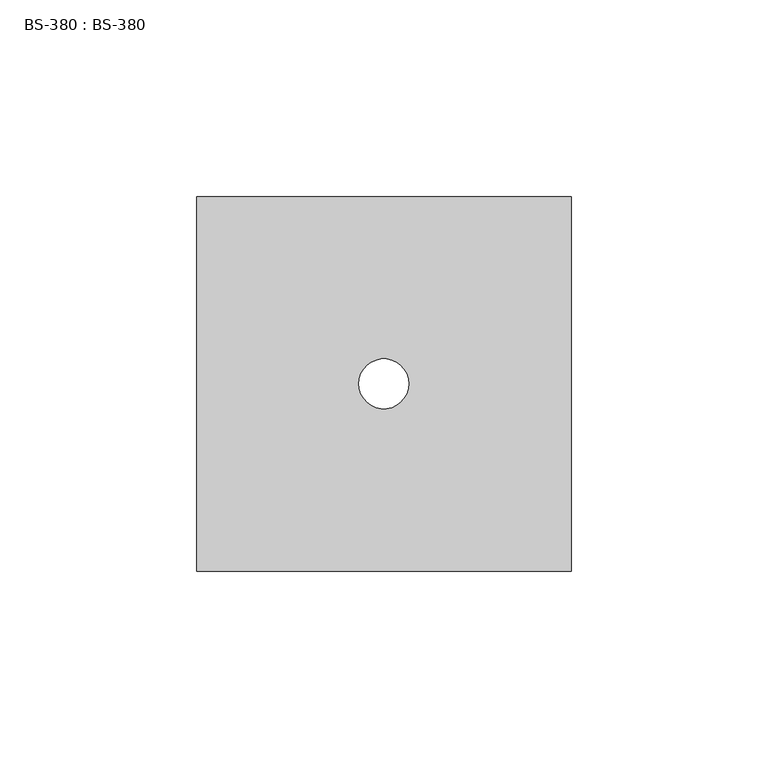
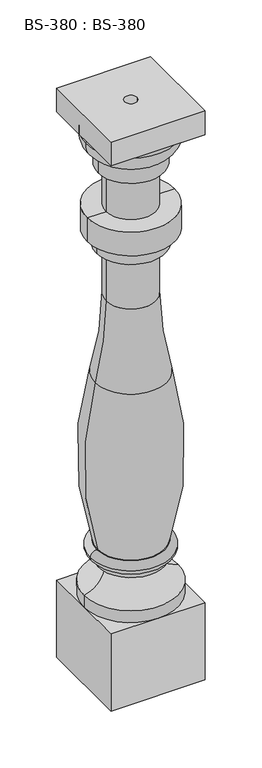
"""IFC4 building model written with IfcOpenShell, lengths in millimetres: proxy geometry, BS-380 : BS-380."""

from ifc_helpers import new_model, si_unit, point, frame, origin, place, context, project, spatial, polyline, circle_curve, ellipse_curve, trimmed, source, transform, mapped, element, save
from ifc_brep_helpers import plane_surface, cylinder_surface, revolved_surface, advanced_brep


def bs_380_bs_380_f4572621(model_context):
    return source(origin(), model_context, "Body", "AdvancedBrep", [
        advanced_brep(
        [(47.625, -47.625, 609.6), (47.625, 47.625, 609.6), (-47.625, 47.625, 609.6), (-47.625, -47.625, 609.6), (-6.35, 0.0, 609.6), (6.35, 0.0, 609.6), (47.625, -47.625, 584.2), (-47.625, -47.625, 584.2), (-47.625, 47.625, 584.2), (47.625, 47.625, 584.2), (39.6422498, 0.0, 584.2), (-39.6422498, 0.0, 584.2), (6.35, 0.0, 0.0), (-6.35, 0.0, 0.0), (-26.991495, 0.0, 120.65), (26.991495, 0.0, 120.65), (47.625, 0.0, 95.25), (-47.625, 0.0, 95.25), (-33.3375, 0.0, 120.65), (33.3375, 0.0, 120.65), (-33.3375, 0.0, 127.0), (33.3375, 0.0, 127.0), (-34.925, 0.0, 127.0), (34.925, 0.0, 127.0), (-41.275, 0.0, 133.35), (41.275, 0.0, 133.35), (-34.925, 0.0, 139.7), (34.925, 0.0, 139.7), (-33.9697209, 0.0, 139.7), (33.9697209, 0.0, 139.7), (-36.4019004, 0.0, 319.0327157), (36.4019004, 0.0, 319.0327157), (-34.925, 0.0, 457.2), (34.925, 0.0, 457.2), (25.3989023, 0.0, 457.2), (-25.3989023, 0.0, 457.2), (-34.925, 0.0, 473.075), (34.925, 0.0, 473.075), (-44.45, 0.0, 473.075), (44.45, 0.0, 473.075), (-44.45, 0.0, 498.475), (44.45, 0.0, 498.475), (-25.4, 0.0, 498.475), (25.4, 0.0, 498.475), (-25.4, 0.0, 542.925), (25.4, 0.0, 542.925), (-33.3375, 0.0, 542.925), (33.3375, 0.0, 542.925), (-33.3375, 0.0, 558.8), (33.3375, 0.0, 558.8), (-45.9517184, 0.0, 578.5663139), (45.9517184, 0.0, 578.5663139), (47.625, 0.0, 82.55), (0.0, 47.625, 82.55), (-47.625, 0.0, 82.55), (0.0, -47.625, 82.55), (-25.3989023, 0.0, 402.7155066), (25.3989023, 0.0, 402.7155066), (47.625, -47.625, 82.55), (47.625, 47.625, 82.55), (-47.625, 47.625, 82.55), (-47.625, -47.625, 82.55), (47.625, -47.625, 0.0), (-47.625, -47.625, 0.0), (-47.625, 47.625, 0.0), (47.625, 47.625, 0.0)],
        [
            (0, 1),
            (1, 2),
            (2, 3),
            (3, 0),
            (4, 5, circle_curve(frame((0.0, 0.0, 609.6), z_axis=(0.0, 0.0, -1.0), x_axis=(1.0, 0.0, 0.0)), 6.35)),
            (5, 4, circle_curve(frame((0.0, 0.0, 609.6), z_axis=(0.0, 0.0, -1.0), x_axis=(1.0, 0.0, 0.0)), 6.35)),
            (6, 7),
            (7, 8),
            (8, 9),
            (9, 6),
            (10, 11, circle_curve(frame((0.0, 0.0, 584.2), z_axis=(0.0, 0.0, 1.0), x_axis=(1.0, 0.0, 0.0)), 39.6422498)),
            (11, 10, circle_curve(frame((0.0, 0.0, 584.2), z_axis=(0.0, 0.0, 1.0), x_axis=(1.0, 0.0, 0.0)), 39.6422498)),
            (0, 6),
            (9, 1),
            (8, 2),
            (7, 3),
            (12, 5),
            (4, 13),
            (13, 12, circle_curve(frame((0.0, 0.0, 0.0), z_axis=(0.0, 0.0, -1.0), x_axis=(1.0, 0.0, 0.0)), 6.35)),
            (12, 13, circle_curve(frame((0.0, 0.0, 0.0), z_axis=(0.0, 0.0, -1.0), x_axis=(1.0, 0.0, 0.0)), 6.35)),
            (14, 15, circle_curve(frame((0.0, 0.0, 120.65), z_axis=(0.0, 0.0, -1.0), x_axis=(1.0, 0.0, 0.0)), 26.991495)),
            (15, 16, circle_curve(frame((52.3875, 0.0, 120.1995209), z_axis=(0.0, -1.0, 0.0), x_axis=(1.0, 0.0, 0.0)), 25.4)),
            (16, 17, circle_curve(frame((0.0, 0.0, 95.25), z_axis=(0.0, 0.0, 1.0), x_axis=(1.0, 0.0, 0.0)), 47.625)),
            (17, 14, circle_curve(frame((-52.3875, 0.0, 120.1995209), z_axis=(0.0, -1.0, 0.0), x_axis=(-1.0, 0.0, 0.0)), 25.4)),
            (15, 14, circle_curve(frame((0.0, 0.0, 120.65), z_axis=(0.0, 0.0, -1.0), x_axis=(1.0, 0.0, 0.0)), 26.991495)),
            (17, 16, circle_curve(frame((0.0, 0.0, 95.25), z_axis=(0.0, 0.0, 1.0), x_axis=(1.0, 0.0, 0.0)), 47.625)),
            (14, 18),
            (18, 19, circle_curve(frame((0.0, 0.0, 120.65), z_axis=(0.0, 0.0, -1.0), x_axis=(1.0, 0.0, 0.0)), 33.3375)),
            (19, 15),
            (19, 18, circle_curve(frame((0.0, 0.0, 120.65), z_axis=(0.0, 0.0, -1.0), x_axis=(1.0, 0.0, 0.0)), 33.3375)),
            (18, 20),
            (20, 21, circle_curve(frame((0.0, 0.0, 127.0), z_axis=(0.0, 0.0, -1.0), x_axis=(1.0, 0.0, 0.0)), 33.3375)),
            (21, 19),
            (21, 20, circle_curve(frame((0.0, 0.0, 127.0), z_axis=(0.0, 0.0, -1.0), x_axis=(1.0, 0.0, 0.0)), 33.3375)),
            (20, 22),
            (22, 23, circle_curve(frame((0.0, 0.0, 127.0), z_axis=(0.0, 0.0, -1.0), x_axis=(1.0, 0.0, 0.0)), 34.925)),
            (23, 21),
            (23, 22, circle_curve(frame((0.0, 0.0, 127.0), z_axis=(0.0, 0.0, -1.0), x_axis=(1.0, 0.0, 0.0)), 34.925)),
            (22, 24, circle_curve(frame((-34.925, 0.0, 133.35), z_axis=(0.0, 1.0, 0.0), x_axis=(0.0, 0.0, -1.0)), 6.35)),
            (24, 25, circle_curve(frame((0.0, 0.0, 133.35), z_axis=(0.0, 0.0, -1.0), x_axis=(1.0, 0.0, 0.0)), 41.275)),
            (25, 23, circle_curve(frame((34.925, 0.0, 133.35), z_axis=(0.0, 1.0, 0.0), x_axis=(0.0, 0.0, -1.0)), 6.35)),
            (25, 24, circle_curve(frame((0.0, 0.0, 133.35), z_axis=(0.0, 0.0, -1.0), x_axis=(1.0, 0.0, 0.0)), 41.275)),
            (24, 26, circle_curve(frame((-34.925, 0.0, 133.35), z_axis=(0.0, 1.0, 0.0), x_axis=(-1.0, 0.0, 0.0)), 6.35)),
            (26, 27, circle_curve(frame((0.0, 0.0, 139.7), z_axis=(0.0, 0.0, -1.0), x_axis=(1.0, 0.0, 0.0)), 34.925)),
            (27, 25, circle_curve(frame((34.925, 0.0, 133.35), z_axis=(0.0, 1.0, 0.0), x_axis=(1.0, 0.0, 0.0)), 6.35)),
            (27, 26, circle_curve(frame((0.0, 0.0, 139.7), z_axis=(0.0, 0.0, -1.0), x_axis=(1.0, 0.0, 0.0)), 34.925)),
            (26, 28),
            (28, 29, circle_curve(frame((0.0, 0.0, 139.7), z_axis=(0.0, 0.0, -1.0), x_axis=(1.0, 0.0, 0.0)), 33.9697209)),
            (29, 27),
            (29, 28, circle_curve(frame((0.0, 0.0, 139.7), z_axis=(0.0, 0.0, -1.0), x_axis=(1.0, 0.0, 0.0)), 33.9697209)),
            (28, 30, circle_curve(frame((282.575, 0.0, 233.6759525), z_axis=(0.0, 1.0, 0.0), x_axis=(-0.9660112064444644, 0.0, 0.25850019153515214)), 330.2)),
            (30, 31, circle_curve(frame((0.0, 0.0, 319.0327157), z_axis=(0.0, 0.0, -1.0), x_axis=(1.0, 0.0, 0.0)), 36.4019004)),
            (31, 29, circle_curve(frame((-282.575, 0.0, 233.6759525), z_axis=(0.0, 1.0, 0.0), x_axis=(0.9660112064444653, 0.0, 0.258500191535149)), 330.2)),
            (31, 30, circle_curve(frame((0.0, 0.0, 319.0327157), z_axis=(0.0, 0.0, -1.0), x_axis=(1.0, 0.0, 0.0)), 36.4019004)),
            (32, 33, circle_curve(frame((0.0, 0.0, 457.2), z_axis=(0.0, 0.0, -1.0), x_axis=(1.0, 0.0, 0.0)), 34.925)),
            (33, 34),
            (34, 35, circle_curve(frame((0.0, 0.0, 457.2), z_axis=(0.0, 0.0, 1.0), x_axis=(1.0, 0.0, 0.0)), 25.3989023)),
            (35, 32),
            (33, 32, circle_curve(frame((0.0, 0.0, 457.2), z_axis=(0.0, 0.0, -1.0), x_axis=(1.0, 0.0, 0.0)), 34.925)),
            (35, 34, circle_curve(frame((0.0, 0.0, 457.2), z_axis=(0.0, 0.0, 1.0), x_axis=(1.0, 0.0, 0.0)), 25.3989023)),
            (32, 36),
            (36, 37, circle_curve(frame((0.0, 0.0, 473.075), z_axis=(0.0, 0.0, -1.0), x_axis=(1.0, 0.0, 0.0)), 34.925)),
            (37, 33),
            (37, 36, circle_curve(frame((0.0, 0.0, 473.075), z_axis=(0.0, 0.0, -1.0), x_axis=(1.0, 0.0, 0.0)), 34.925)),
            (36, 38),
            (38, 39, circle_curve(frame((0.0, 0.0, 473.075), z_axis=(0.0, 0.0, -1.0), x_axis=(1.0, 0.0, 0.0)), 44.45)),
            (39, 37),
            (39, 38, circle_curve(frame((0.0, 0.0, 473.075), z_axis=(0.0, 0.0, -1.0), x_axis=(1.0, 0.0, 0.0)), 44.45)),
            (38, 40),
            (40, 41, circle_curve(frame((0.0, 0.0, 498.475), z_axis=(0.0, 0.0, -1.0), x_axis=(1.0, 0.0, 0.0)), 44.45)),
            (41, 39),
            (41, 40, circle_curve(frame((0.0, 0.0, 498.475), z_axis=(0.0, 0.0, -1.0), x_axis=(1.0, 0.0, 0.0)), 44.45)),
            (40, 42),
            (42, 43, circle_curve(frame((0.0, 0.0, 498.475), z_axis=(0.0, 0.0, -1.0), x_axis=(1.0, 0.0, 0.0)), 25.4)),
            (43, 41),
            (43, 42, circle_curve(frame((0.0, 0.0, 498.475), z_axis=(0.0, 0.0, -1.0), x_axis=(1.0, 0.0, 0.0)), 25.4)),
            (42, 44),
            (44, 45, circle_curve(frame((0.0, 0.0, 542.925), z_axis=(0.0, 0.0, -1.0), x_axis=(1.0, 0.0, 0.0)), 25.4)),
            (45, 43),
            (45, 44, circle_curve(frame((0.0, 0.0, 542.925), z_axis=(0.0, 0.0, -1.0), x_axis=(1.0, 0.0, 0.0)), 25.4)),
            (44, 46),
            (46, 47, circle_curve(frame((0.0, 0.0, 542.925), z_axis=(0.0, 0.0, -1.0), x_axis=(1.0, 0.0, 0.0)), 33.3375)),
            (47, 45),
            (47, 46, circle_curve(frame((0.0, 0.0, 542.925), z_axis=(0.0, 0.0, -1.0), x_axis=(1.0, 0.0, 0.0)), 33.3375)),
            (46, 48),
            (48, 49, circle_curve(frame((0.0, 0.0, 558.8), z_axis=(0.0, 0.0, -1.0), x_axis=(1.0, 0.0, 0.0)), 33.3375)),
            (49, 47),
            (49, 48, circle_curve(frame((0.0, 0.0, 558.8), z_axis=(0.0, 0.0, -1.0), x_axis=(1.0, 0.0, 0.0)), 33.3375)),
            (48, 50, circle_curve(frame((-26.9874999, 0.0, 576.7605123), z_axis=(0.0, 1.0, 0.0), x_axis=(-0.3333333371741347, 0.0, -0.942809040224135)), 19.0500001)),
            (50, 51, circle_curve(frame((0.0, 0.0, 578.5663139), z_axis=(0.0, 0.0, -1.0), x_axis=(1.0, 0.0, 0.0)), 45.9517184)),
            (51, 49, circle_curve(frame((26.9874999, 0.0, 576.7605123), z_axis=(0.0, 1.0, 0.0), x_axis=(0.3333333371741317, 0.0, -0.9428090402241361)), 19.0500001)),
            (51, 50, circle_curve(frame((0.0, 0.0, 578.5663139), z_axis=(0.0, 0.0, -1.0), x_axis=(1.0, 0.0, 0.0)), 45.9517184)),
            (50, 11, circle_curve(frame((-39.6422498, 0.0, 577.85), z_axis=(0.0, 1.0000000000000002, 0.0), x_axis=(-0.9936171076990764, 0.0, 0.11280533359607653)), 6.35)),
            (10, 51, circle_curve(frame((39.6422498, 0.0, 577.85), z_axis=(0.0, 1.0000000000000002, 0.0), x_axis=(0.9936171076990769, 0.0, 0.11280533359607331)), 6.35)),
            (16, 52),
            (52, 53, circle_curve(frame((0.0, 0.0, 82.55), z_axis=(0.0, 0.0, 1.0), x_axis=(1.0, 0.0, 0.0)), 47.625)),
            (53, 54, circle_curve(frame((0.0, 0.0, 82.55), z_axis=(0.0, 0.0, 1.0), x_axis=(1.0, 0.0, 0.0)), 47.625)),
            (54, 17),
            (54, 55, circle_curve(frame((0.0, 0.0, 82.55), z_axis=(0.0, 0.0, 1.0), x_axis=(1.0, 0.0, 0.0)), 47.625)),
            (55, 52, circle_curve(frame((0.0, 0.0, 82.55), z_axis=(0.0, 0.0, 1.0), x_axis=(1.0, 0.0, 0.0)), 47.625)),
            (30, 56, circle_curve(frame((-349.1231919, 0.0, 402.7155066), z_axis=(0.0, -1.0, 0.0), x_axis=(-1.0, 0.0, 0.0)), 323.7242896)),
            (56, 57, circle_curve(frame((0.0, 0.0, 402.7155066), z_axis=(0.0, 0.0, -1.0), x_axis=(1.0, 0.0, 0.0)), 25.3989023)),
            (57, 31, circle_curve(frame((349.1231919, 0.0, 402.7155066), z_axis=(0.0, -1.0, 0.0), x_axis=(1.0, 0.0, 0.0)), 323.7242896)),
            (57, 56, circle_curve(frame((0.0, 0.0, 402.7155066), z_axis=(0.0, 0.0, -1.0), x_axis=(1.0, 0.0, 0.0)), 25.3989023)),
            (34, 57),
            (56, 35),
            (58, 52),
            (55, 58),
            (52, 59),
            (59, 53),
            (60, 54),
            (53, 60),
            (54, 61),
            (61, 55),
            (62, 63),
            (63, 64),
            (64, 65),
            (65, 62),
            (65, 59),
            (58, 62),
            (64, 60),
            (63, 61),
        ],
        [
            plane_surface(frame((47.625, -106.8897207, 609.6), z_axis=(0.0, 0.0, 1.0), x_axis=(0.0, 1.0, 0.0))),
            plane_surface(frame((47.625, -106.8897207, 584.2), z_axis=(0.0, 0.0, -1.0), x_axis=(0.0, -1.0, 0.0))),
            plane_surface(frame((47.625, -47.625, 609.6), z_axis=(1.0, 0.0, 0.0), x_axis=(0.0, 0.0, -1.0))),
            plane_surface(frame((47.625, 47.625, 609.6), z_axis=(0.0, 1.0, 0.0), x_axis=(0.0, 0.0, -1.0))),
            plane_surface(frame((-47.625, 47.625, 609.6), z_axis=(-1.0, 0.0, 0.0), x_axis=(0.0, 0.0, -1.0))),
            plane_surface(frame((-47.625, -47.625, 609.6), z_axis=(0.0, -1.0, 0.0), x_axis=(0.0, 0.0, -1.0))),
            revolved_surface(polyline([(6.35, 0.0, 0.0), (6.35, 0.0, 609.6)]), (0.0, 0.0, 609.6), (0.0, 0.0, -1.0)),
            revolved_surface(trimmed(ellipse_curve(frame((52.3875, 0.0, 120.1995209), z_axis=(0.0, 1.0, 0.0), x_axis=(1.0, 0.0, 0.0)), 25.4, 25.4), [point((47.625, 0.0, 95.25))], [point((26.991495, 0.0, 120.65))], True, "CARTESIAN"), (0.0, 0.0, 584.2), (0.0, 0.0, 1.0)),
            plane_surface(frame((0.0, 0.0, 120.65), z_axis=(0.0, 0.0, -1.0), x_axis=(1.0, 0.0, 0.0))),
            cylinder_surface(frame((0.0, 0.0, 584.2), z_axis=(0.0, 0.0, 1.0), x_axis=(1.0, 0.0, 0.0)), 33.3375),
            plane_surface(frame((0.0, 0.0, 127.0), z_axis=(0.0, 0.0, -1.0), x_axis=(1.0, 0.0, 0.0))),
            revolved_surface(trimmed(ellipse_curve(frame((34.925, 0.0, 133.35), z_axis=(0.0, -1.0, 0.0), x_axis=(0.0, 0.0, -1.0)), 6.35, 6.35), [point((34.925, 0.0, 127.0))], [point((41.275, 0.0, 133.35))], True, "CARTESIAN"), (0.0, 0.0, 584.2), (0.0, 0.0, 1.0)),
            revolved_surface(trimmed(ellipse_curve(frame((34.925, 0.0, 133.35), z_axis=(0.0, -1.0, 0.0), x_axis=(1.0, 0.0, 0.0)), 6.35, 6.35), [point((41.275, 0.0, 133.35))], [point((34.925, 0.0, 139.7))], True, "CARTESIAN"), (0.0, 0.0, 584.2), (0.0, 0.0, 1.0)),
            plane_surface(frame((0.0, 0.0, 139.7), z_axis=(0.0, 0.0, 1.0), x_axis=(1.0, 0.0, 0.0))),
            revolved_surface(trimmed(ellipse_curve(frame((-282.575, 0.0, 233.6759525), z_axis=(0.0, -1.0, 0.0), x_axis=(0.9660112064444653, 0.0, 0.258500191535149)), 330.2, 330.2), [point((33.9697209, 0.0, 139.7))], [point((36.4019004, 0.0, 319.0327157))], True, "CARTESIAN"), (0.0, 0.0, 584.2), (0.0, 0.0, 1.0)),
            plane_surface(frame((0.0, 0.0, 457.2), z_axis=(0.0, 0.0, -1.0), x_axis=(1.0, 0.0, 0.0))),
            cylinder_surface(frame((0.0, 0.0, 584.2), z_axis=(0.0, 0.0, 1.0), x_axis=(1.0, 0.0, 0.0)), 34.925),
            plane_surface(frame((0.0, 0.0, 473.075), z_axis=(0.0, 0.0, -1.0), x_axis=(1.0, 0.0, 0.0))),
            cylinder_surface(frame((0.0, 0.0, 584.2), z_axis=(0.0, 0.0, 1.0), x_axis=(1.0, 0.0, 0.0)), 44.45),
            plane_surface(frame((0.0, 0.0, 498.475), z_axis=(0.0, 0.0, 1.0), x_axis=(1.0, 0.0, 0.0))),
            cylinder_surface(frame((0.0, 0.0, 584.2), z_axis=(0.0, 0.0, 1.0), x_axis=(1.0, 0.0, 0.0)), 25.4),
            plane_surface(frame((0.0, 0.0, 542.925), z_axis=(0.0, 0.0, -1.0), x_axis=(1.0, 0.0, 0.0))),
            revolved_surface(trimmed(ellipse_curve(frame((26.9874999, 0.0, 576.7605123), z_axis=(0.0, -1.0, 0.0), x_axis=(0.3333333371741317, 0.0, -0.9428090402241361)), 19.0500001, 19.0500001), [point((33.3375, 0.0, 558.8))], [point((45.9517184, 0.0, 578.5663139))], True, "CARTESIAN"), (0.0, 0.0, 584.2), (0.0, 0.0, 1.0)),
            revolved_surface(trimmed(ellipse_curve(frame((39.6422498, 0.0, 577.85), z_axis=(0.0, -1.0000000000000002, 0.0), x_axis=(0.9936171076990769, 0.0, 0.11280533359607331)), 6.35, 6.35), [point((45.9517184, 0.0, 578.5663139))], [point((39.6422498, 0.0, 584.2))], True, "CARTESIAN"), (0.0, 0.0, 584.2), (0.0, 0.0, 1.0)),
            cylinder_surface(frame((0.0, 0.0, 584.2), z_axis=(0.0, 0.0, 1.0), x_axis=(1.0, 0.0, 0.0)), 47.625),
            revolved_surface(trimmed(ellipse_curve(frame((349.1231919, 0.0, 402.7155066), z_axis=(0.0, 1.0, 0.0), x_axis=(1.0, 0.0, 0.0)), 323.7242896, 323.7242896), [point((36.4019004, 0.0, 319.0327157))], [point((25.3989023, 0.0, 402.7155066))], True, "CARTESIAN"), (0.0, 0.0, 584.2), (0.0, 0.0, 1.0)),
            cylinder_surface(frame((0.0, 0.0, 584.2), z_axis=(0.0, 0.0, 1.0), x_axis=(1.0, 0.0, 0.0)), 25.3989023),
            plane_surface(frame((47.625, -106.8897207, 82.55), z_axis=(0.0, 0.0, 1.0), x_axis=(0.0, 1.0, 0.0))),
            plane_surface(frame((47.625, -106.8897207, 0.0), z_axis=(0.0, 0.0, -1.0), x_axis=(0.0, -1.0, 0.0))),
            plane_surface(frame((47.625, -47.625, 82.55), z_axis=(1.0, 0.0, 0.0), x_axis=(0.0, 0.0, -1.0))),
            plane_surface(frame((47.625, 47.625, 82.55), z_axis=(0.0, 1.0, 0.0), x_axis=(0.0, 0.0, -1.0))),
            plane_surface(frame((-47.625, 47.625, 82.55), z_axis=(-1.0, 0.0, 0.0), x_axis=(0.0, 0.0, -1.0))),
            plane_surface(frame((-47.625, -47.625, 82.55), z_axis=(0.0, -1.0, 0.0), x_axis=(0.0, 0.0, -1.0))),
        ],
        [
            (0, [[1, 2, 3, 4], [5, 6]]),
            (1, [[7, 8, 9, 10], [11, 12]]),
            (2, [[-1, 13, -10, 14]]),
            (3, [[-2, -14, -9, 15]]),
            (4, [[-3, -15, -8, 16]]),
            (5, [[-4, -16, -7, -13]]),
            (6, [[17, -5, 18, 19]]),
            (6, [[-17, 20, -18, -6]]),
            (7, [[21, 22, 23, 24]]),
            (7, [[-22, 25, -24, 26]]),
            (8, [[-21, 27, 28, 29]]),
            (8, [[-25, -29, 30, -27]]),
            (9, [[-28, 31, 32, 33]]),
            (9, [[-30, -33, 34, -31]]),
            (10, [[-32, 35, 36, 37]]),
            (10, [[-34, -37, 38, -35]]),
            (11, [[-36, 39, 40, 41]]),
            (11, [[-38, -41, 42, -39]]),
            (12, [[-40, 43, 44, 45]]),
            (12, [[-42, -45, 46, -43]]),
            (13, [[-44, 47, 48, 49]]),
            (13, [[-46, -49, 50, -47]]),
            (14, [[-48, 51, 52, 53]]),
            (14, [[-50, -53, 54, -51]]),
            (15, [[55, 56, 57, 58]]),
            (15, [[-56, 59, -58, 60]]),
            (16, [[-55, 61, 62, 63]]),
            (16, [[-59, -63, 64, -61]]),
            (17, [[-62, 65, 66, 67]]),
            (17, [[-64, -67, 68, -65]]),
            (18, [[-66, 69, 70, 71]]),
            (18, [[-68, -71, 72, -69]]),
            (19, [[-70, 73, 74, 75]]),
            (19, [[-72, -75, 76, -73]]),
            (20, [[-74, 77, 78, 79]]),
            (20, [[-76, -79, 80, -77]]),
            (21, [[-78, 81, 82, 83]]),
            (21, [[-80, -83, 84, -81]]),
            (9, [[-82, 85, 86, 87]]),
            (9, [[-84, -87, 88, -85]]),
            (22, [[-86, 89, 90, 91]]),
            (22, [[-88, -91, 92, -89]]),
            (23, [[-90, 93, -11, 94]]),
            (23, [[-92, -94, -12, -93]]),
            (24, [[-23, 95, 96, 97, 98]]),
            (24, [[-26, -98, 99, 100, -95]]),
            (25, [[-52, 101, 102, 103]]),
            (25, [[-54, -103, 104, -101]]),
            (26, [[-57, 105, -102, 106]]),
            (26, [[-60, -106, -104, -105]]),
            (27, [[107, -100, 108]]),
            (27, [[109, 110, -96]]),
            (27, [[111, -97, 112]]),
            (27, [[113, 114, -99]]),
            (28, [[115, 116, 117, 118], [-19, -20]]),
            (29, [[-118, 119, -109, -107, 120]]),
            (30, [[-117, 121, -112, -110, -119]]),
            (31, [[-116, 122, -113, -111, -121]]),
            (32, [[-115, -120, -108, -114, -122]]),
        ],
    ),
    ])


if __name__ == "__main__":
    model = new_model("IFC4")
    model_context = context("Model", 3, world=origin())
    ifc_project = project(units=[si_unit("LENGTHUNIT", "METRE", prefix="MILLI")], contexts=[model_context])
    site = spatial("IfcSite", under=ifc_project)
    building = spatial("IfcBuilding", under=site)
    placement = place(None, origin())
    bs_380_bs_380_shape = bs_380_bs_380_f4572621(model_context)
    element("IfcBuildingElementProxy", 1, Name="BS-380 : BS-380", ObjectType="BS-380 : BS-380", at=placement, inside=building, context=model_context, shape_type="MappedRepresentation", body=[
        mapped(bs_380_bs_380_shape, transform((0.0, 0.0, 0.0), x_axis=(1.0, 0.0, 0.0), y_axis=(0.0, 1.0, 0.0), z_axis=(0.0, 0.0, 1.0))),
    ])
    save(model, "model.ifc")
